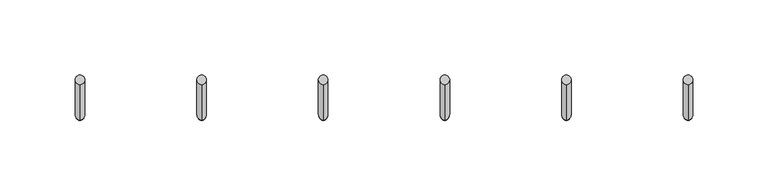
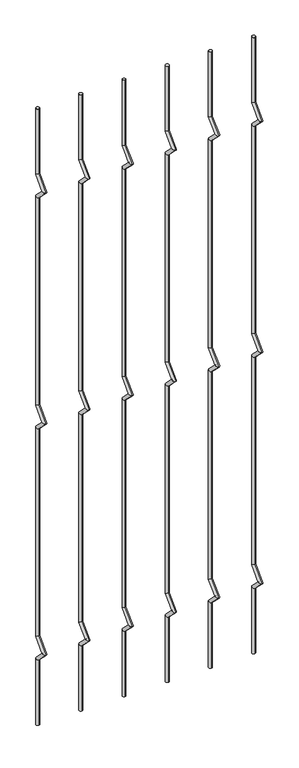
"""IFC4 building model written with IfcOpenShell, lengths in millimetres: railing geometry."""

import ifcopenshell
import ifcopenshell.guid

model = None  # the IFC model being written
_history = None  # IfcOwnerHistory: only IFC2X3 demands one
_inside = {}  # id of a spatial element -> (the spatial element, [elements in it])
_under = {}  # id of a project, library or spatial element -> (it, [spatial elements below it])
_declared = {}  # id of a project -> (the project, [libraries it declares])
_typed = {}  # id of a type object -> (the type object, [elements of that type])
_made_of = {}  # id of a material, layer set ... -> (it, [elements and type objects made of it])


def new_model(schema):
    """Start an empty IFC model of exactly this schema.

    Asked for "IFC4X3", IfcOpenShell would pick the latest addendum, in which some entities
    have other attributes; the version numbers below select the first issue.
    IFC2X3 requires an IfcOwnerHistory on every rooted entity: one is made here for all.
    """
    global model, _history
    if schema == "IFC4X3":
        model = ifcopenshell.file(schema_version=(4, 3, 0, 0))
    else:
        model = ifcopenshell.file(schema=schema)
    _inside.clear()
    _under.clear()
    _declared.clear()
    _typed.clear()
    _made_of.clear()
    _history = None
    if model.schema == "IFC2X3":
        org = make("IfcOrganization", Name="unknown")
        user = make(
            "IfcPersonAndOrganization",
            ThePerson=make("IfcPerson", FamilyName="unknown"),
            TheOrganization=org,
        )
        app = make(
            "IfcApplication",
            ApplicationDeveloper=org,
            Version="unknown",
            ApplicationFullName="unknown",
            ApplicationIdentifier="unknown",
        )
        _history = make(
            "IfcOwnerHistory",
            OwningUser=user,
            OwningApplication=app,
            ChangeAction="ADDED",
            CreationDate=0,
        )
    return model


def make(cls, **values):
    """One entity of the class cls with the attributes given. An attribute that is None is left unset."""
    return model.create_entity(
        cls, **{name: value for name, value in values.items() if value is not None}
    )


def rooted(cls, **values):
    """An entity with a GlobalId (a new one), such as an element, a storey or a relation."""
    return make(cls, GlobalId=ifcopenshell.guid.new(), OwnerHistory=_history, **values)


def si_unit(unit_type, name, prefix=None):
    """IfcSIUnit, for example si_unit("LENGTHUNIT", "METRE", prefix="MILLI")."""
    return make("IfcSIUnit", UnitType=unit_type, Prefix=prefix, Name=name)


def assignment(units):
    """IfcUnitAssignment: the units of a project."""
    return None if units is None else make("IfcUnitAssignment", Units=units)


def point(xyz):
    """IfcCartesianPoint."""
    return None if xyz is None else make("IfcCartesianPoint", Coordinates=xyz)


def direction(xyz):
    """IfcDirection."""
    return None if xyz is None else make("IfcDirection", DirectionRatios=xyz)


def frame(location, z_axis=None, x_axis=None):
    """IfcAxis2Placement3D, a coordinate frame: its origin and axes. An axis left out is left unset."""
    return make(
        "IfcAxis2Placement3D",
        Location=point(location),
        Axis=direction(z_axis),
        RefDirection=direction(x_axis),
    )


def origin():
    """The frame at (0, 0, 0) with its axes left unset."""
    return frame((0.0, 0.0, 0.0))


def place(relative_to, where):
    """IfcLocalPlacement: puts the frame where relative to a parent placement (None: the world)."""
    return make(
        "IfcLocalPlacement", PlacementRelTo=relative_to, RelativePlacement=where
    )


def context(
    kind, dimensions, precision=None, world=None, true_north=None, identifier=None
):
    """IfcGeometricRepresentationContext, for example the 3D "Model" context."""
    return make(
        "IfcGeometricRepresentationContext",
        ContextIdentifier=identifier,
        ContextType=kind,
        CoordinateSpaceDimension=dimensions,
        Precision=precision,
        WorldCoordinateSystem=world,
        TrueNorth=true_north,
    )


def project(units=None, contexts=None):
    """IfcProject with its units and contexts."""
    return rooted(
        "IfcProject",
        Name="project",
        RepresentationContexts=contexts,
        UnitsInContext=assignment(units),
    )


def spatial(cls, under=None, at=None, **own):
    """A site, building, storey or space (cls), placed at a placement, below another one or the project."""
    s = rooted(cls, ObjectPlacement=at, **own)
    if under is not None:
        _under.setdefault(under.id(), (under, []))[1].append(s)
    return s


def circle_curve(where, radius):
    """IfcCircle in the frame where."""
    return make("IfcCircle", Position=where, Radius=radius)


def ellipse_curve(where, semi_axis1, semi_axis2):
    """IfcEllipse in the frame where."""
    return make(
        "IfcEllipse", Position=where, SemiAxis1=semi_axis1, SemiAxis2=semi_axis2
    )


def shape(context_of_items, identifier, shape_type, items):
    """IfcShapeRepresentation: the items that make up one representation, for example the "Body"."""
    return make(
        "IfcShapeRepresentation",
        ContextOfItems=context_of_items,
        RepresentationIdentifier=identifier,
        RepresentationType=shape_type,
        Items=items,
    )


def source(mapping_origin, context_of_items, identifier, shape_type, items):
    """IfcRepresentationMap: a shape defined once, which mapped items show again and again."""
    return make(
        "IfcRepresentationMap",
        MappingOrigin=mapping_origin,
        MappedRepresentation=shape(context_of_items, identifier, shape_type, items),
    )


def transform(
    local_origin,
    x_axis=None,
    y_axis=None,
    z_axis=None,
    scale=None,
    scale2=None,
    scale3=None,
    uniform=True,
):
    """IfcCartesianTransformationOperator3D, or its non-uniform kind. x_axis, y_axis, z_axis: its Axis1, 2, 3."""
    if uniform:
        return make(
            "IfcCartesianTransformationOperator3D",
            Axis1=direction(x_axis),
            Axis2=direction(y_axis),
            LocalOrigin=point(local_origin),
            Scale=scale,
            Axis3=direction(z_axis),
        )
    return make(
        "IfcCartesianTransformationOperator3DnonUniform",
        Axis1=direction(x_axis),
        Axis2=direction(y_axis),
        LocalOrigin=point(local_origin),
        Scale=scale,
        Axis3=direction(z_axis),
        Scale2=scale2,
        Scale3=scale3,
    )


def mapped(mapping_source, mapping_target):
    """IfcMappedItem: shows the shape of a source again, moved by a transform."""
    return make(
        "IfcMappedItem", MappingSource=mapping_source, MappingTarget=mapping_target
    )


def made_of(thing, what):
    """Note that an element or type object is made of a material, layer set ...; save() writes the relation."""
    if what is not None:
        _made_of.setdefault(what.id(), (what, []))[1].append(thing)
    return thing


def element(
    cls,
    number,
    at=None,
    inside=None,
    cuts=None,
    type_object=None,
    material=None,
    context=None,
    identifier="Body",
    shape_type=None,
    held_by="IfcProductDefinitionShape",
    body=None,
    shapes=None,
    **own,
):
    """One element of the class cls, such as IfcWall. Its Tag is "e" and its number.

    at: its placement. inside: the storey or other place that contains it. cuts: it is an
    opening in that element (IfcRelVoidsElement). A single representation is given by context,
    identifier, shape_type and body (its items); several are given by shapes. held_by: the class
    of the entity that holds the representations. save() writes the other relations.
    """
    e = rooted(cls, Tag="e%d" % number, ObjectPlacement=at, **own)
    if body is not None:
        shapes = [shape(context, identifier, shape_type, body)]
    if shapes is not None:
        e.Representation = make(held_by, Representations=shapes)
    if inside is not None:
        _inside.setdefault(inside.id(), (inside, []))[1].append(e)
    if cuts is not None:
        rooted(
            "IfcRelVoidsElement", RelatingBuildingElement=cuts, RelatedOpeningElement=e
        )
    if type_object is not None:
        _typed.setdefault(type_object.id(), (type_object, []))[1].append(e)
    return made_of(e, material)


def aggregate(whole, parts):
    """IfcRelAggregates: a whole, such as a stair, and the parts it consists of."""
    return rooted("IfcRelAggregates", RelatingObject=whole, RelatedObjects=parts)


def save(model, path):
    """Write the relations noted so far, then the file.

    IfcRelAggregates (storeys below a building ...), IfcRelContainedInSpatialStructure (elements
    in a storey), IfcRelDefinesByType, IfcRelAssociatesMaterial and IfcRelDeclares: one each for
    every whole, place, type object, material and project.
    """
    for whole, parts in _under.values():
        aggregate(whole, parts)
    for where, things in _inside.values():
        rooted(
            "IfcRelContainedInSpatialStructure",
            RelatedElements=things,
            RelatingStructure=where,
        )
    for kind, things in _typed.values():
        rooted("IfcRelDefinesByType", RelatedObjects=things, RelatingType=kind)
    for what, things in _made_of.values():
        rooted("IfcRelAssociatesMaterial", RelatedObjects=things, RelatingMaterial=what)
    for by, libraries in _declared.values():
        rooted("IfcRelDeclares", RelatingContext=by, RelatedDefinitions=libraries)
    model.write(path)


def plane_surface(at):
    """IfcPlane: the flat surface through the origin of the frame at, square to its z axis."""
    return make("IfcPlane", Position=at)


def cylinder_surface(at, radius):
    """IfcCylindricalSurface: all points at the distance radius from the z axis of the frame at."""
    return make("IfcCylindricalSurface", Position=at, Radius=radius)


def advanced_brep(points, edges, surfaces, faces):
    """IfcAdvancedBrep: a solid bounded by faces that lie on surfaces and meet in shared edges.

    An edge is (start, end): straight between two places in points (the first is 0);
    or (start, end, curve); or (start, end, curve, False) where it runs against its curve.
    A face is (place in surfaces, loops), or (place, loops, False) where it looks against
    its surface's normal. A loop lists edges by number (the first is 1), with a minus sign
    where the edge is run from its end to its start. The first loop is the outer one.
    """
    corners = [point(p) for p in points]
    vertices = [make("IfcVertexPoint", VertexGeometry=c) for c in corners]
    made = []
    for start, end, *more in edges:
        made.append(
            make(
                "IfcEdgeCurve",
                EdgeStart=vertices[start],
                EdgeEnd=vertices[end],
                EdgeGeometry=more[0] if more else make("IfcPolyline", Points=[corners[start], corners[end]]),
                SameSense=more[1] if len(more) > 1 else True,
            )
        )
    hull = []
    for where, loops, *sense in faces:
        bounds = []
        for j, loop in enumerate(loops):
            ring = [make("IfcOrientedEdge", EdgeElement=made[abs(k) - 1], Orientation=k > 0) for k in loop]
            bounds.append(
                make(
                    "IfcFaceOuterBound" if j == 0 else "IfcFaceBound",
                    Bound=make("IfcEdgeLoop", EdgeList=ring),
                    Orientation=True,
                )
            )
        hull.append(make("IfcAdvancedFace", Bounds=bounds, FaceSurface=surfaces[where], SameSense=sense[0] if sense else True))
    return make("IfcAdvancedBrep", Outer=make("IfcClosedShell", CfsFaces=hull))


def railing_747c712e(model_context):
    return source(origin(), model_context, "Body", "AdvancedBrep", [
        advanced_brep(
        [(-17514.6090291, 14808.5554142, 25.4), (-17514.6090291, 14802.2054142, 25.4), (-17514.6090291, 14802.2054142, 154.0342316), (-17514.6090291, 14808.5554142, 156.6644878), (-17514.6090291, 14778.4396458, 177.8), (-17514.6090291, 14787.419902, 177.8), (-17514.6090291, 14802.2054142, 201.5657684), (-17514.6090291, 14808.5554142, 198.9355122), (-17514.6090291, 14802.2054142, 611.2342316), (-17514.6090291, 14808.5554142, 613.8644878), (-17514.6090291, 14778.4396458, 635.0), (-17514.6090291, 14787.419902, 635.0), (-17514.6090291, 14802.2054142, 658.7657684), (-17514.6090291, 14808.5554142, 656.1355122), (-17514.6090291, 14802.2054142, 1068.4342316), (-17514.6090291, 14808.5554142, 1071.0644878), (-17514.6090291, 14778.4396458, 1092.2), (-17514.6090291, 14787.419902, 1092.2), (-17514.6090291, 14802.2054142, 1115.9657684), (-17514.6090291, 14808.5554142, 1113.3355122), (-17514.6090291, 14808.5554142, 1244.6), (-17514.6090291, 14802.2054142, 1244.6)],
        [
            (0, 1, circle_curve(frame((-17514.6090291, 14805.3804142, 25.4), z_axis=(0.0, 0.0, -1.0), x_axis=(0.0, -1.0, 0.0)), 3.175)),
            (1, 0, circle_curve(frame((-17514.6090291, 14805.3804142, 25.4), z_axis=(0.0, 0.0, -1.0), x_axis=(0.0, -1.0, 0.0)), 3.175)),
            (1, 2),
            (2, 3, ellipse_curve(frame((-17514.6090291, 14805.3804142, 155.3493597), z_axis=(0.0, 0.3826834323650955, -0.9238795325112844), x_axis=(0.0, -0.9238795325112845, -0.38268343236509544)), 3.4365952, 3.175)),
            (3, 0),
            (3, 2, ellipse_curve(frame((-17514.6090291, 14805.3804142, 155.3493597), z_axis=(0.0, 0.3826834323650955, -0.9238795325112844), x_axis=(0.0, -0.9238795325112845, -0.38268343236509544)), 3.4365952, 3.175)),
            (2, 4),
            (4, 5, ellipse_curve(frame((-17514.6090291, 14782.9297739, 177.8), z_axis=(0.0, 0.0, -1.0), x_axis=(0.0, 1.0, 0.0)), 4.4901281, 3.175)),
            (5, 3),
            (5, 4, ellipse_curve(frame((-17514.6090291, 14782.9297739, 177.8), z_axis=(0.0, 0.0, -1.0), x_axis=(0.0, 1.0, 0.0)), 4.4901281, 3.175)),
            (4, 6),
            (6, 7, ellipse_curve(frame((-17514.6090291, 14805.3804142, 200.2506403), z_axis=(0.0, -0.3826834323650839, -0.9238795325112892), x_axis=(0.0, -0.9238795325112893, 0.38268343236508373)), 3.4365952, 3.175)),
            (7, 5),
            (7, 6, ellipse_curve(frame((-17514.6090291, 14805.3804142, 200.2506403), z_axis=(0.0, -0.3826834323650839, -0.9238795325112892), x_axis=(0.0, -0.9238795325112893, 0.38268343236508373)), 3.4365952, 3.175)),
            (6, 8),
            (8, 9, ellipse_curve(frame((-17514.6090291, 14805.3804142, 612.5493597), z_axis=(0.0, 0.3826834323651024, -0.9238795325112816), x_axis=(0.0, -0.9238795325112816, -0.382683432365102)), 3.4365952, 3.175)),
            (9, 7),
            (9, 8, ellipse_curve(frame((-17514.6090291, 14805.3804142, 612.5493597), z_axis=(0.0, 0.3826834323651024, -0.9238795325112816), x_axis=(0.0, -0.9238795325112816, -0.382683432365102)), 3.4365952, 3.175)),
            (8, 10),
            (10, 11, ellipse_curve(frame((-17514.6090291, 14782.9297739, 635.0), z_axis=(0.0, 0.0, -1.0), x_axis=(0.0, 1.0, 0.0)), 4.4901281, 3.175)),
            (11, 9),
            (11, 10, ellipse_curve(frame((-17514.6090291, 14782.9297739, 635.0), z_axis=(0.0, 0.0, -1.0), x_axis=(0.0, 1.0, 0.0)), 4.4901281, 3.175)),
            (10, 12),
            (12, 13, ellipse_curve(frame((-17514.6090291, 14805.3804142, 657.4506403), z_axis=(0.0, -0.3826834323650771, -0.923879532511292), x_axis=(0.0, -0.9238795325112918, 0.3826834323650773)), 3.4365952, 3.175)),
            (13, 11),
            (13, 12, ellipse_curve(frame((-17514.6090291, 14805.3804142, 657.4506403), z_axis=(0.0, -0.3826834323650771, -0.923879532511292), x_axis=(0.0, -0.9238795325112918, 0.3826834323650773)), 3.4365952, 3.175)),
            (12, 14),
            (14, 15, ellipse_curve(frame((-17514.6090291, 14805.3804142, 1069.7493597), z_axis=(0.0, 0.3826834323650978, -0.9238795325112834), x_axis=(0.0, -0.9238795325112834, -0.382683432365098)), 3.4365952, 3.175)),
            (15, 13),
            (15, 14, ellipse_curve(frame((-17514.6090291, 14805.3804142, 1069.7493597), z_axis=(0.0, 0.3826834323650978, -0.9238795325112834), x_axis=(0.0, -0.9238795325112834, -0.382683432365098)), 3.4365952, 3.175)),
            (14, 16),
            (16, 17, ellipse_curve(frame((-17514.6090291, 14782.9297739, 1092.2), z_axis=(0.0, 0.0, -1.0), x_axis=(0.0, 1.0, 0.0)), 4.4901281, 3.175)),
            (17, 15),
            (17, 16, ellipse_curve(frame((-17514.6090291, 14782.9297739, 1092.2), z_axis=(0.0, 0.0, -1.0), x_axis=(0.0, 1.0, 0.0)), 4.4901281, 3.175)),
            (16, 18),
            (18, 19, ellipse_curve(frame((-17514.6090291, 14805.3804142, 1114.6506403), z_axis=(0.0, -0.38268343236508223, -0.9238795325112898), x_axis=(0.0, -0.92387953251129, 0.38268343236508207)), 3.4365952, 3.175)),
            (19, 17),
            (19, 18, ellipse_curve(frame((-17514.6090291, 14805.3804142, 1114.6506403), z_axis=(0.0, -0.38268343236508223, -0.9238795325112898), x_axis=(0.0, -0.92387953251129, 0.38268343236508207)), 3.4365952, 3.175)),
            (20, 21, circle_curve(frame((-17514.6090291, 14805.3804142, 1244.6), z_axis=(0.0, 0.0, 1.0), x_axis=(0.0, -1.0, 0.0)), 3.175)),
            (21, 20, circle_curve(frame((-17514.6090291, 14805.3804142, 1244.6), z_axis=(0.0, 0.0, 1.0), x_axis=(0.0, -1.0, 0.0)), 3.175)),
            (18, 21),
            (20, 19),
        ],
        [
            plane_surface(frame((-17514.6090291, 14805.3804142, 25.4), z_axis=(0.0, 0.0, -1.0), x_axis=(-1.0, 0.0, 0.0))),
            cylinder_surface(frame((-17514.6090291, 14805.3804142, 25.4), z_axis=(0.0, 0.0, -1.0), x_axis=(0.0, -1.0, 0.0)), 3.175),
            cylinder_surface(frame((-17514.6090291, 14805.3804142, 155.3493597), z_axis=(0.0, 0.7071067811865563, -0.7071067811865388), x_axis=(0.0, -0.7071067811865388, -0.7071067811865563)), 3.175),
            cylinder_surface(frame((-17514.6090291, 14782.9297739, 177.8), z_axis=(0.0, -0.7071067811865385, -0.7071067811865568), x_axis=(0.0, -0.7071067811865568, 0.7071067811865385)), 3.175),
            cylinder_surface(frame((-17514.6090291, 14805.3804142, 200.2506403), z_axis=(0.0, 0.0, -1.0), x_axis=(0.0, -1.0, 0.0)), 3.175),
            cylinder_surface(frame((-17514.6090291, 14805.3804142, 612.5493597), z_axis=(0.0, 0.7071067811865669, -0.707106781186528), x_axis=(0.0, -0.707106781186528, -0.7071067811865669)), 3.175),
            cylinder_surface(frame((-17514.6090291, 14782.9297739, 635.0), z_axis=(0.0, -0.7071067811865279, -0.7071067811865672), x_axis=(0.0, -0.7071067811865672, 0.7071067811865279)), 3.175),
            cylinder_surface(frame((-17514.6090291, 14805.3804142, 657.4506403), z_axis=(0.0, 0.0, -1.0), x_axis=(0.0, -1.0, 0.0)), 3.175),
            cylinder_surface(frame((-17514.6090291, 14805.3804142, 1069.7493597), z_axis=(0.0, 0.7071067811865601, -0.707106781186535), x_axis=(0.0, -0.707106781186535, -0.7071067811865601)), 3.175),
            cylinder_surface(frame((-17514.6090291, 14782.9297739, 1092.2), z_axis=(0.0, -0.7071067811865356, -0.7071067811865596), x_axis=(0.0, -0.7071067811865596, 0.7071067811865356)), 3.175),
            plane_surface(frame((-17514.6090291, 14805.3804142, 1244.6), z_axis=(0.0, 0.0, 1.0), x_axis=(-1.0, 0.0, 0.0))),
            cylinder_surface(frame((-17514.6090291, 14805.3804142, 1114.6506403), z_axis=(0.0, 0.0, -1.0), x_axis=(0.0, -1.0, 0.0)), 3.175),
        ],
        [
            (0, [[1, 2]]),
            (1, [[3, 4, 5, -2]]),
            (1, [[-5, 6, -3, -1]]),
            (2, [[7, 8, 9, -4]]),
            (2, [[-9, 10, -7, -6]]),
            (3, [[11, 12, 13, -8]]),
            (3, [[-13, 14, -11, -10]]),
            (4, [[15, 16, 17, -12]]),
            (4, [[-17, 18, -15, -14]]),
            (5, [[19, 20, 21, -16]]),
            (5, [[-21, 22, -19, -18]]),
            (6, [[23, 24, 25, -20]]),
            (6, [[-25, 26, -23, -22]]),
            (7, [[27, 28, 29, -24]]),
            (7, [[-29, 30, -27, -26]]),
            (8, [[31, 32, 33, -28]]),
            (8, [[-33, 34, -31, -30]]),
            (9, [[35, 36, 37, -32]]),
            (9, [[-37, 38, -35, -34]]),
            (10, [[39, 40]]),
            (11, [[41, -39, 42, -36]]),
            (11, [[-42, -40, -41, -38]]),
        ],
    ),
        advanced_brep(
        [(-17433.7523624, 14808.5554142, 25.4), (-17433.7523624, 14802.2054142, 25.4), (-17433.7523624, 14802.2054142, 154.0342316), (-17433.7523624, 14808.5554142, 156.6644878), (-17433.7523624, 14778.4396458, 177.8), (-17433.7523624, 14787.419902, 177.8), (-17433.7523624, 14802.2054142, 201.5657684), (-17433.7523624, 14808.5554142, 198.9355122), (-17433.7523624, 14802.2054142, 611.2342316), (-17433.7523624, 14808.5554142, 613.8644878), (-17433.7523624, 14778.4396458, 635.0), (-17433.7523624, 14787.419902, 635.0), (-17433.7523624, 14802.2054142, 658.7657684), (-17433.7523624, 14808.5554142, 656.1355122), (-17433.7523624, 14802.2054142, 1068.4342316), (-17433.7523624, 14808.5554142, 1071.0644878), (-17433.7523624, 14778.4396458, 1092.2), (-17433.7523624, 14787.419902, 1092.2), (-17433.7523624, 14802.2054142, 1115.9657684), (-17433.7523624, 14808.5554142, 1113.3355122), (-17433.7523624, 14808.5554142, 1244.6), (-17433.7523624, 14802.2054142, 1244.6)],
        [
            (0, 1, circle_curve(frame((-17433.7523624, 14805.3804142, 25.4), z_axis=(0.0, 0.0, -1.0), x_axis=(0.0, -1.0, 0.0)), 3.175)),
            (1, 0, circle_curve(frame((-17433.7523624, 14805.3804142, 25.4), z_axis=(0.0, 0.0, -1.0), x_axis=(0.0, -1.0, 0.0)), 3.175)),
            (1, 2),
            (2, 3, ellipse_curve(frame((-17433.7523624, 14805.3804142, 155.3493597), z_axis=(0.0, 0.3826834323650955, -0.9238795325112844), x_axis=(0.0, -0.9238795325112845, -0.38268343236509544)), 3.4365952, 3.175)),
            (3, 0),
            (3, 2, ellipse_curve(frame((-17433.7523624, 14805.3804142, 155.3493597), z_axis=(0.0, 0.3826834323650955, -0.9238795325112844), x_axis=(0.0, -0.9238795325112845, -0.38268343236509544)), 3.4365952, 3.175)),
            (2, 4),
            (4, 5, ellipse_curve(frame((-17433.7523624, 14782.9297739, 177.8), z_axis=(0.0, 0.0, -1.0), x_axis=(0.0, 1.0, 0.0)), 4.4901281, 3.175)),
            (5, 3),
            (5, 4, ellipse_curve(frame((-17433.7523624, 14782.9297739, 177.8), z_axis=(0.0, 0.0, -1.0), x_axis=(0.0, 1.0, 0.0)), 4.4901281, 3.175)),
            (4, 6),
            (6, 7, ellipse_curve(frame((-17433.7523624, 14805.3804142, 200.2506403), z_axis=(0.0, -0.3826834323650839, -0.9238795325112892), x_axis=(0.0, -0.9238795325112893, 0.38268343236508373)), 3.4365952, 3.175)),
            (7, 5),
            (7, 6, ellipse_curve(frame((-17433.7523624, 14805.3804142, 200.2506403), z_axis=(0.0, -0.3826834323650839, -0.9238795325112892), x_axis=(0.0, -0.9238795325112893, 0.38268343236508373)), 3.4365952, 3.175)),
            (6, 8),
            (8, 9, ellipse_curve(frame((-17433.7523624, 14805.3804142, 612.5493597), z_axis=(0.0, 0.3826834323651024, -0.9238795325112816), x_axis=(0.0, -0.9238795325112816, -0.382683432365102)), 3.4365952, 3.175)),
            (9, 7),
            (9, 8, ellipse_curve(frame((-17433.7523624, 14805.3804142, 612.5493597), z_axis=(0.0, 0.3826834323651024, -0.9238795325112816), x_axis=(0.0, -0.9238795325112816, -0.382683432365102)), 3.4365952, 3.175)),
            (8, 10),
            (10, 11, ellipse_curve(frame((-17433.7523624, 14782.9297739, 635.0), z_axis=(0.0, 0.0, -1.0), x_axis=(0.0, 1.0, 0.0)), 4.4901281, 3.175)),
            (11, 9),
            (11, 10, ellipse_curve(frame((-17433.7523624, 14782.9297739, 635.0), z_axis=(0.0, 0.0, -1.0), x_axis=(0.0, 1.0, 0.0)), 4.4901281, 3.175)),
            (10, 12),
            (12, 13, ellipse_curve(frame((-17433.7523624, 14805.3804142, 657.4506403), z_axis=(0.0, -0.3826834323650771, -0.923879532511292), x_axis=(0.0, -0.9238795325112918, 0.3826834323650773)), 3.4365952, 3.175)),
            (13, 11),
            (13, 12, ellipse_curve(frame((-17433.7523624, 14805.3804142, 657.4506403), z_axis=(0.0, -0.3826834323650771, -0.923879532511292), x_axis=(0.0, -0.9238795325112918, 0.3826834323650773)), 3.4365952, 3.175)),
            (12, 14),
            (14, 15, ellipse_curve(frame((-17433.7523624, 14805.3804142, 1069.7493597), z_axis=(0.0, 0.3826834323650978, -0.9238795325112834), x_axis=(0.0, -0.9238795325112834, -0.382683432365098)), 3.4365952, 3.175)),
            (15, 13),
            (15, 14, ellipse_curve(frame((-17433.7523624, 14805.3804142, 1069.7493597), z_axis=(0.0, 0.3826834323650978, -0.9238795325112834), x_axis=(0.0, -0.9238795325112834, -0.382683432365098)), 3.4365952, 3.175)),
            (14, 16),
            (16, 17, ellipse_curve(frame((-17433.7523624, 14782.9297739, 1092.2), z_axis=(0.0, 0.0, -1.0), x_axis=(0.0, 1.0, 0.0)), 4.4901281, 3.175)),
            (17, 15),
            (17, 16, ellipse_curve(frame((-17433.7523624, 14782.9297739, 1092.2), z_axis=(0.0, 0.0, -1.0), x_axis=(0.0, 1.0, 0.0)), 4.4901281, 3.175)),
            (16, 18),
            (18, 19, ellipse_curve(frame((-17433.7523624, 14805.3804142, 1114.6506403), z_axis=(0.0, -0.38268343236508223, -0.9238795325112898), x_axis=(0.0, -0.92387953251129, 0.38268343236508207)), 3.4365952, 3.175)),
            (19, 17),
            (19, 18, ellipse_curve(frame((-17433.7523624, 14805.3804142, 1114.6506403), z_axis=(0.0, -0.38268343236508223, -0.9238795325112898), x_axis=(0.0, -0.92387953251129, 0.38268343236508207)), 3.4365952, 3.175)),
            (20, 21, circle_curve(frame((-17433.7523624, 14805.3804142, 1244.6), z_axis=(0.0, 0.0, 1.0), x_axis=(0.0, -1.0, 0.0)), 3.175)),
            (21, 20, circle_curve(frame((-17433.7523624, 14805.3804142, 1244.6), z_axis=(0.0, 0.0, 1.0), x_axis=(0.0, -1.0, 0.0)), 3.175)),
            (18, 21),
            (20, 19),
        ],
        [
            plane_surface(frame((-17433.7523624, 14805.3804142, 25.4), z_axis=(0.0, 0.0, -1.0), x_axis=(-1.0, 0.0, 0.0))),
            cylinder_surface(frame((-17433.7523624, 14805.3804142, 25.4), z_axis=(0.0, 0.0, -1.0), x_axis=(0.0, -1.0, 0.0)), 3.175),
            cylinder_surface(frame((-17433.7523624, 14805.3804142, 155.3493597), z_axis=(0.0, 0.7071067811865563, -0.7071067811865388), x_axis=(0.0, -0.7071067811865388, -0.7071067811865563)), 3.175),
            cylinder_surface(frame((-17433.7523624, 14782.9297739, 177.8), z_axis=(0.0, -0.7071067811865385, -0.7071067811865568), x_axis=(0.0, -0.7071067811865568, 0.7071067811865385)), 3.175),
            cylinder_surface(frame((-17433.7523624, 14805.3804142, 200.2506403), z_axis=(0.0, 0.0, -1.0), x_axis=(0.0, -1.0, 0.0)), 3.175),
            cylinder_surface(frame((-17433.7523624, 14805.3804142, 612.5493597), z_axis=(0.0, 0.7071067811865669, -0.707106781186528), x_axis=(0.0, -0.707106781186528, -0.7071067811865669)), 3.175),
            cylinder_surface(frame((-17433.7523624, 14782.9297739, 635.0), z_axis=(0.0, -0.7071067811865279, -0.7071067811865672), x_axis=(0.0, -0.7071067811865672, 0.7071067811865279)), 3.175),
            cylinder_surface(frame((-17433.7523624, 14805.3804142, 657.4506403), z_axis=(0.0, 0.0, -1.0), x_axis=(0.0, -1.0, 0.0)), 3.175),
            cylinder_surface(frame((-17433.7523624, 14805.3804142, 1069.7493597), z_axis=(0.0, 0.7071067811865601, -0.707106781186535), x_axis=(0.0, -0.707106781186535, -0.7071067811865601)), 3.175),
            cylinder_surface(frame((-17433.7523624, 14782.9297739, 1092.2), z_axis=(0.0, -0.7071067811865356, -0.7071067811865596), x_axis=(0.0, -0.7071067811865596, 0.7071067811865356)), 3.175),
            plane_surface(frame((-17433.7523624, 14805.3804142, 1244.6), z_axis=(0.0, 0.0, 1.0), x_axis=(-1.0, 0.0, 0.0))),
            cylinder_surface(frame((-17433.7523624, 14805.3804142, 1114.6506403), z_axis=(0.0, 0.0, -1.0), x_axis=(0.0, -1.0, 0.0)), 3.175),
        ],
        [
            (0, [[1, 2]]),
            (1, [[3, 4, 5, -2]]),
            (1, [[-5, 6, -3, -1]]),
            (2, [[7, 8, 9, -4]]),
            (2, [[-9, 10, -7, -6]]),
            (3, [[11, 12, 13, -8]]),
            (3, [[-13, 14, -11, -10]]),
            (4, [[15, 16, 17, -12]]),
            (4, [[-17, 18, -15, -14]]),
            (5, [[19, 20, 21, -16]]),
            (5, [[-21, 22, -19, -18]]),
            (6, [[23, 24, 25, -20]]),
            (6, [[-25, 26, -23, -22]]),
            (7, [[27, 28, 29, -24]]),
            (7, [[-29, 30, -27, -26]]),
            (8, [[31, 32, 33, -28]]),
            (8, [[-33, 34, -31, -30]]),
            (9, [[35, 36, 37, -32]]),
            (9, [[-37, 38, -35, -34]]),
            (10, [[39, 40]]),
            (11, [[41, -39, 42, -36]]),
            (11, [[-42, -40, -41, -38]]),
        ],
    ),
        advanced_brep(
        [(-17352.8956958, 14808.5554142, 25.4), (-17352.8956958, 14802.2054142, 25.4), (-17352.8956958, 14802.2054142, 154.0342316), (-17352.8956958, 14808.5554142, 156.6644878), (-17352.8956958, 14778.4396458, 177.8), (-17352.8956958, 14787.419902, 177.8), (-17352.8956958, 14802.2054142, 201.5657684), (-17352.8956958, 14808.5554142, 198.9355122), (-17352.8956958, 14802.2054142, 611.2342316), (-17352.8956958, 14808.5554142, 613.8644878), (-17352.8956958, 14778.4396458, 635.0), (-17352.8956958, 14787.419902, 635.0), (-17352.8956958, 14802.2054142, 658.7657684), (-17352.8956958, 14808.5554142, 656.1355122), (-17352.8956958, 14802.2054142, 1068.4342316), (-17352.8956958, 14808.5554142, 1071.0644878), (-17352.8956958, 14778.4396458, 1092.2), (-17352.8956958, 14787.419902, 1092.2), (-17352.8956958, 14802.2054142, 1115.9657684), (-17352.8956958, 14808.5554142, 1113.3355122), (-17352.8956958, 14808.5554142, 1244.6), (-17352.8956958, 14802.2054142, 1244.6)],
        [
            (0, 1, circle_curve(frame((-17352.8956958, 14805.3804142, 25.4), z_axis=(0.0, 0.0, -1.0), x_axis=(0.0, -1.0, 0.0)), 3.175)),
            (1, 0, circle_curve(frame((-17352.8956958, 14805.3804142, 25.4), z_axis=(0.0, 0.0, -1.0), x_axis=(0.0, -1.0, 0.0)), 3.175)),
            (1, 2),
            (2, 3, ellipse_curve(frame((-17352.8956958, 14805.3804142, 155.3493597), z_axis=(0.0, 0.3826834323650955, -0.9238795325112844), x_axis=(0.0, -0.9238795325112845, -0.38268343236509544)), 3.4365952, 3.175)),
            (3, 0),
            (3, 2, ellipse_curve(frame((-17352.8956958, 14805.3804142, 155.3493597), z_axis=(0.0, 0.3826834323650955, -0.9238795325112844), x_axis=(0.0, -0.9238795325112845, -0.38268343236509544)), 3.4365952, 3.175)),
            (2, 4),
            (4, 5, ellipse_curve(frame((-17352.8956958, 14782.9297739, 177.8), z_axis=(0.0, 0.0, -1.0), x_axis=(0.0, 1.0, 0.0)), 4.4901281, 3.175)),
            (5, 3),
            (5, 4, ellipse_curve(frame((-17352.8956958, 14782.9297739, 177.8), z_axis=(0.0, 0.0, -1.0), x_axis=(0.0, 1.0, 0.0)), 4.4901281, 3.175)),
            (4, 6),
            (6, 7, ellipse_curve(frame((-17352.8956958, 14805.3804142, 200.2506403), z_axis=(0.0, -0.3826834323650839, -0.9238795325112892), x_axis=(0.0, -0.9238795325112893, 0.38268343236508373)), 3.4365952, 3.175)),
            (7, 5),
            (7, 6, ellipse_curve(frame((-17352.8956958, 14805.3804142, 200.2506403), z_axis=(0.0, -0.3826834323650839, -0.9238795325112892), x_axis=(0.0, -0.9238795325112893, 0.38268343236508373)), 3.4365952, 3.175)),
            (6, 8),
            (8, 9, ellipse_curve(frame((-17352.8956958, 14805.3804142, 612.5493597), z_axis=(0.0, 0.3826834323651024, -0.9238795325112816), x_axis=(0.0, -0.9238795325112816, -0.382683432365102)), 3.4365952, 3.175)),
            (9, 7),
            (9, 8, ellipse_curve(frame((-17352.8956958, 14805.3804142, 612.5493597), z_axis=(0.0, 0.3826834323651024, -0.9238795325112816), x_axis=(0.0, -0.9238795325112816, -0.382683432365102)), 3.4365952, 3.175)),
            (8, 10),
            (10, 11, ellipse_curve(frame((-17352.8956958, 14782.9297739, 635.0), z_axis=(0.0, 0.0, -1.0), x_axis=(0.0, 1.0, 0.0)), 4.4901281, 3.175)),
            (11, 9),
            (11, 10, ellipse_curve(frame((-17352.8956958, 14782.9297739, 635.0), z_axis=(0.0, 0.0, -1.0), x_axis=(0.0, 1.0, 0.0)), 4.4901281, 3.175)),
            (10, 12),
            (12, 13, ellipse_curve(frame((-17352.8956958, 14805.3804142, 657.4506403), z_axis=(0.0, -0.3826834323650771, -0.923879532511292), x_axis=(0.0, -0.9238795325112918, 0.3826834323650773)), 3.4365952, 3.175)),
            (13, 11),
            (13, 12, ellipse_curve(frame((-17352.8956958, 14805.3804142, 657.4506403), z_axis=(0.0, -0.3826834323650771, -0.923879532511292), x_axis=(0.0, -0.9238795325112918, 0.3826834323650773)), 3.4365952, 3.175)),
            (12, 14),
            (14, 15, ellipse_curve(frame((-17352.8956958, 14805.3804142, 1069.7493597), z_axis=(0.0, 0.3826834323650978, -0.9238795325112834), x_axis=(0.0, -0.9238795325112834, -0.382683432365098)), 3.4365952, 3.175)),
            (15, 13),
            (15, 14, ellipse_curve(frame((-17352.8956958, 14805.3804142, 1069.7493597), z_axis=(0.0, 0.3826834323650978, -0.9238795325112834), x_axis=(0.0, -0.9238795325112834, -0.382683432365098)), 3.4365952, 3.175)),
            (14, 16),
            (16, 17, ellipse_curve(frame((-17352.8956958, 14782.9297739, 1092.2), z_axis=(0.0, 0.0, -1.0), x_axis=(0.0, 1.0, 0.0)), 4.4901281, 3.175)),
            (17, 15),
            (17, 16, ellipse_curve(frame((-17352.8956958, 14782.9297739, 1092.2), z_axis=(0.0, 0.0, -1.0), x_axis=(0.0, 1.0, 0.0)), 4.4901281, 3.175)),
            (16, 18),
            (18, 19, ellipse_curve(frame((-17352.8956958, 14805.3804142, 1114.6506403), z_axis=(0.0, -0.38268343236508223, -0.9238795325112898), x_axis=(0.0, -0.92387953251129, 0.38268343236508207)), 3.4365952, 3.175)),
            (19, 17),
            (19, 18, ellipse_curve(frame((-17352.8956958, 14805.3804142, 1114.6506403), z_axis=(0.0, -0.38268343236508223, -0.9238795325112898), x_axis=(0.0, -0.92387953251129, 0.38268343236508207)), 3.4365952, 3.175)),
            (20, 21, circle_curve(frame((-17352.8956958, 14805.3804142, 1244.6), z_axis=(0.0, 0.0, 1.0), x_axis=(0.0, -1.0, 0.0)), 3.175)),
            (21, 20, circle_curve(frame((-17352.8956958, 14805.3804142, 1244.6), z_axis=(0.0, 0.0, 1.0), x_axis=(0.0, -1.0, 0.0)), 3.175)),
            (18, 21),
            (20, 19),
        ],
        [
            plane_surface(frame((-17352.8956958, 14805.3804142, 25.4), z_axis=(0.0, 0.0, -1.0), x_axis=(-1.0, 0.0, 0.0))),
            cylinder_surface(frame((-17352.8956958, 14805.3804142, 25.4), z_axis=(0.0, 0.0, -1.0), x_axis=(0.0, -1.0, 0.0)), 3.175),
            cylinder_surface(frame((-17352.8956958, 14805.3804142, 155.3493597), z_axis=(0.0, 0.7071067811865563, -0.7071067811865388), x_axis=(0.0, -0.7071067811865388, -0.7071067811865563)), 3.175),
            cylinder_surface(frame((-17352.8956958, 14782.9297739, 177.8), z_axis=(0.0, -0.7071067811865385, -0.7071067811865568), x_axis=(0.0, -0.7071067811865568, 0.7071067811865385)), 3.175),
            cylinder_surface(frame((-17352.8956958, 14805.3804142, 200.2506403), z_axis=(0.0, 0.0, -1.0), x_axis=(0.0, -1.0, 0.0)), 3.175),
            cylinder_surface(frame((-17352.8956958, 14805.3804142, 612.5493597), z_axis=(0.0, 0.7071067811865669, -0.707106781186528), x_axis=(0.0, -0.707106781186528, -0.7071067811865669)), 3.175),
            cylinder_surface(frame((-17352.8956958, 14782.9297739, 635.0), z_axis=(0.0, -0.7071067811865279, -0.7071067811865672), x_axis=(0.0, -0.7071067811865672, 0.7071067811865279)), 3.175),
            cylinder_surface(frame((-17352.8956958, 14805.3804142, 657.4506403), z_axis=(0.0, 0.0, -1.0), x_axis=(0.0, -1.0, 0.0)), 3.175),
            cylinder_surface(frame((-17352.8956958, 14805.3804142, 1069.7493597), z_axis=(0.0, 0.7071067811865601, -0.707106781186535), x_axis=(0.0, -0.707106781186535, -0.7071067811865601)), 3.175),
            cylinder_surface(frame((-17352.8956958, 14782.9297739, 1092.2), z_axis=(0.0, -0.7071067811865356, -0.7071067811865596), x_axis=(0.0, -0.7071067811865596, 0.7071067811865356)), 3.175),
            plane_surface(frame((-17352.8956958, 14805.3804142, 1244.6), z_axis=(0.0, 0.0, 1.0), x_axis=(-1.0, 0.0, 0.0))),
            cylinder_surface(frame((-17352.8956958, 14805.3804142, 1114.6506403), z_axis=(0.0, 0.0, -1.0), x_axis=(0.0, -1.0, 0.0)), 3.175),
        ],
        [
            (0, [[1, 2]]),
            (1, [[3, 4, 5, -2]]),
            (1, [[-5, 6, -3, -1]]),
            (2, [[7, 8, 9, -4]]),
            (2, [[-9, 10, -7, -6]]),
            (3, [[11, 12, 13, -8]]),
            (3, [[-13, 14, -11, -10]]),
            (4, [[15, 16, 17, -12]]),
            (4, [[-17, 18, -15, -14]]),
            (5, [[19, 20, 21, -16]]),
            (5, [[-21, 22, -19, -18]]),
            (6, [[23, 24, 25, -20]]),
            (6, [[-25, 26, -23, -22]]),
            (7, [[27, 28, 29, -24]]),
            (7, [[-29, 30, -27, -26]]),
            (8, [[31, 32, 33, -28]]),
            (8, [[-33, 34, -31, -30]]),
            (9, [[35, 36, 37, -32]]),
            (9, [[-37, 38, -35, -34]]),
            (10, [[39, 40]]),
            (11, [[41, -39, 42, -36]]),
            (11, [[-42, -40, -41, -38]]),
        ],
    ),
        advanced_brep(
        [(-17272.0390291, 14808.5554142, 25.4), (-17272.0390291, 14802.2054142, 25.4), (-17272.0390291, 14802.2054142, 154.0342316), (-17272.0390291, 14808.5554142, 156.6644878), (-17272.0390291, 14778.4396458, 177.8), (-17272.0390291, 14787.419902, 177.8), (-17272.0390291, 14802.2054142, 201.5657684), (-17272.0390291, 14808.5554142, 198.9355122), (-17272.0390291, 14802.2054142, 611.2342316), (-17272.0390291, 14808.5554142, 613.8644878), (-17272.0390291, 14778.4396458, 635.0), (-17272.0390291, 14787.419902, 635.0), (-17272.0390291, 14802.2054142, 658.7657684), (-17272.0390291, 14808.5554142, 656.1355122), (-17272.0390291, 14802.2054142, 1068.4342316), (-17272.0390291, 14808.5554142, 1071.0644878), (-17272.0390291, 14778.4396458, 1092.2), (-17272.0390291, 14787.419902, 1092.2), (-17272.0390291, 14802.2054142, 1115.9657684), (-17272.0390291, 14808.5554142, 1113.3355122), (-17272.0390291, 14808.5554142, 1244.6), (-17272.0390291, 14802.2054142, 1244.6)],
        [
            (0, 1, circle_curve(frame((-17272.0390291, 14805.3804142, 25.4), z_axis=(0.0, 0.0, -1.0), x_axis=(0.0, -1.0, 0.0)), 3.175)),
            (1, 0, circle_curve(frame((-17272.0390291, 14805.3804142, 25.4), z_axis=(0.0, 0.0, -1.0), x_axis=(0.0, -1.0, 0.0)), 3.175)),
            (1, 2),
            (2, 3, ellipse_curve(frame((-17272.0390291, 14805.3804142, 155.3493597), z_axis=(0.0, 0.3826834323650955, -0.9238795325112844), x_axis=(0.0, -0.9238795325112845, -0.38268343236509544)), 3.4365952, 3.175)),
            (3, 0),
            (3, 2, ellipse_curve(frame((-17272.0390291, 14805.3804142, 155.3493597), z_axis=(0.0, 0.3826834323650955, -0.9238795325112844), x_axis=(0.0, -0.9238795325112845, -0.38268343236509544)), 3.4365952, 3.175)),
            (2, 4),
            (4, 5, ellipse_curve(frame((-17272.0390291, 14782.9297739, 177.8), z_axis=(0.0, 0.0, -1.0), x_axis=(0.0, 1.0, 0.0)), 4.4901281, 3.175)),
            (5, 3),
            (5, 4, ellipse_curve(frame((-17272.0390291, 14782.9297739, 177.8), z_axis=(0.0, 0.0, -1.0), x_axis=(0.0, 1.0, 0.0)), 4.4901281, 3.175)),
            (4, 6),
            (6, 7, ellipse_curve(frame((-17272.0390291, 14805.3804142, 200.2506403), z_axis=(0.0, -0.3826834323650839, -0.9238795325112892), x_axis=(0.0, -0.9238795325112893, 0.38268343236508373)), 3.4365952, 3.175)),
            (7, 5),
            (7, 6, ellipse_curve(frame((-17272.0390291, 14805.3804142, 200.2506403), z_axis=(0.0, -0.3826834323650839, -0.9238795325112892), x_axis=(0.0, -0.9238795325112893, 0.38268343236508373)), 3.4365952, 3.175)),
            (6, 8),
            (8, 9, ellipse_curve(frame((-17272.0390291, 14805.3804142, 612.5493597), z_axis=(0.0, 0.3826834323651024, -0.9238795325112816), x_axis=(0.0, -0.9238795325112816, -0.382683432365102)), 3.4365952, 3.175)),
            (9, 7),
            (9, 8, ellipse_curve(frame((-17272.0390291, 14805.3804142, 612.5493597), z_axis=(0.0, 0.3826834323651024, -0.9238795325112816), x_axis=(0.0, -0.9238795325112816, -0.382683432365102)), 3.4365952, 3.175)),
            (8, 10),
            (10, 11, ellipse_curve(frame((-17272.0390291, 14782.9297739, 635.0), z_axis=(0.0, 0.0, -1.0), x_axis=(0.0, 1.0, 0.0)), 4.4901281, 3.175)),
            (11, 9),
            (11, 10, ellipse_curve(frame((-17272.0390291, 14782.9297739, 635.0), z_axis=(0.0, 0.0, -1.0), x_axis=(0.0, 1.0, 0.0)), 4.4901281, 3.175)),
            (10, 12),
            (12, 13, ellipse_curve(frame((-17272.0390291, 14805.3804142, 657.4506403), z_axis=(0.0, -0.3826834323650771, -0.923879532511292), x_axis=(0.0, -0.9238795325112918, 0.3826834323650773)), 3.4365952, 3.175)),
            (13, 11),
            (13, 12, ellipse_curve(frame((-17272.0390291, 14805.3804142, 657.4506403), z_axis=(0.0, -0.3826834323650771, -0.923879532511292), x_axis=(0.0, -0.9238795325112918, 0.3826834323650773)), 3.4365952, 3.175)),
            (12, 14),
            (14, 15, ellipse_curve(frame((-17272.0390291, 14805.3804142, 1069.7493597), z_axis=(0.0, 0.3826834323650978, -0.9238795325112834), x_axis=(0.0, -0.9238795325112834, -0.382683432365098)), 3.4365952, 3.175)),
            (15, 13),
            (15, 14, ellipse_curve(frame((-17272.0390291, 14805.3804142, 1069.7493597), z_axis=(0.0, 0.3826834323650978, -0.9238795325112834), x_axis=(0.0, -0.9238795325112834, -0.382683432365098)), 3.4365952, 3.175)),
            (14, 16),
            (16, 17, ellipse_curve(frame((-17272.0390291, 14782.9297739, 1092.2), z_axis=(0.0, 0.0, -1.0), x_axis=(0.0, 1.0, 0.0)), 4.4901281, 3.175)),
            (17, 15),
            (17, 16, ellipse_curve(frame((-17272.0390291, 14782.9297739, 1092.2), z_axis=(0.0, 0.0, -1.0), x_axis=(0.0, 1.0, 0.0)), 4.4901281, 3.175)),
            (16, 18),
            (18, 19, ellipse_curve(frame((-17272.0390291, 14805.3804142, 1114.6506403), z_axis=(0.0, -0.38268343236508223, -0.9238795325112898), x_axis=(0.0, -0.92387953251129, 0.38268343236508207)), 3.4365952, 3.175)),
            (19, 17),
            (19, 18, ellipse_curve(frame((-17272.0390291, 14805.3804142, 1114.6506403), z_axis=(0.0, -0.38268343236508223, -0.9238795325112898), x_axis=(0.0, -0.92387953251129, 0.38268343236508207)), 3.4365952, 3.175)),
            (20, 21, circle_curve(frame((-17272.0390291, 14805.3804142, 1244.6), z_axis=(0.0, 0.0, 1.0), x_axis=(0.0, -1.0, 0.0)), 3.175)),
            (21, 20, circle_curve(frame((-17272.0390291, 14805.3804142, 1244.6), z_axis=(0.0, 0.0, 1.0), x_axis=(0.0, -1.0, 0.0)), 3.175)),
            (18, 21),
            (20, 19),
        ],
        [
            plane_surface(frame((-17272.0390291, 14805.3804142, 25.4), z_axis=(0.0, 0.0, -1.0), x_axis=(-1.0, 0.0, 0.0))),
            cylinder_surface(frame((-17272.0390291, 14805.3804142, 25.4), z_axis=(0.0, 0.0, -1.0), x_axis=(0.0, -1.0, 0.0)), 3.175),
            cylinder_surface(frame((-17272.0390291, 14805.3804142, 155.3493597), z_axis=(0.0, 0.7071067811865563, -0.7071067811865388), x_axis=(0.0, -0.7071067811865388, -0.7071067811865563)), 3.175),
            cylinder_surface(frame((-17272.0390291, 14782.9297739, 177.8), z_axis=(0.0, -0.7071067811865385, -0.7071067811865568), x_axis=(0.0, -0.7071067811865568, 0.7071067811865385)), 3.175),
            cylinder_surface(frame((-17272.0390291, 14805.3804142, 200.2506403), z_axis=(0.0, 0.0, -1.0), x_axis=(0.0, -1.0, 0.0)), 3.175),
            cylinder_surface(frame((-17272.0390291, 14805.3804142, 612.5493597), z_axis=(0.0, 0.7071067811865669, -0.707106781186528), x_axis=(0.0, -0.707106781186528, -0.7071067811865669)), 3.175),
            cylinder_surface(frame((-17272.0390291, 14782.9297739, 635.0), z_axis=(0.0, -0.7071067811865279, -0.7071067811865672), x_axis=(0.0, -0.7071067811865672, 0.7071067811865279)), 3.175),
            cylinder_surface(frame((-17272.0390291, 14805.3804142, 657.4506403), z_axis=(0.0, 0.0, -1.0), x_axis=(0.0, -1.0, 0.0)), 3.175),
            cylinder_surface(frame((-17272.0390291, 14805.3804142, 1069.7493597), z_axis=(0.0, 0.7071067811865601, -0.707106781186535), x_axis=(0.0, -0.707106781186535, -0.7071067811865601)), 3.175),
            cylinder_surface(frame((-17272.0390291, 14782.9297739, 1092.2), z_axis=(0.0, -0.7071067811865356, -0.7071067811865596), x_axis=(0.0, -0.7071067811865596, 0.7071067811865356)), 3.175),
            plane_surface(frame((-17272.0390291, 14805.3804142, 1244.6), z_axis=(0.0, 0.0, 1.0), x_axis=(-1.0, 0.0, 0.0))),
            cylinder_surface(frame((-17272.0390291, 14805.3804142, 1114.6506403), z_axis=(0.0, 0.0, -1.0), x_axis=(0.0, -1.0, 0.0)), 3.175),
        ],
        [
            (0, [[1, 2]]),
            (1, [[3, 4, 5, -2]]),
            (1, [[-5, 6, -3, -1]]),
            (2, [[7, 8, 9, -4]]),
            (2, [[-9, 10, -7, -6]]),
            (3, [[11, 12, 13, -8]]),
            (3, [[-13, 14, -11, -10]]),
            (4, [[15, 16, 17, -12]]),
            (4, [[-17, 18, -15, -14]]),
            (5, [[19, 20, 21, -16]]),
            (5, [[-21, 22, -19, -18]]),
            (6, [[23, 24, 25, -20]]),
            (6, [[-25, 26, -23, -22]]),
            (7, [[27, 28, 29, -24]]),
            (7, [[-29, 30, -27, -26]]),
            (8, [[31, 32, 33, -28]]),
            (8, [[-33, 34, -31, -30]]),
            (9, [[35, 36, 37, -32]]),
            (9, [[-37, 38, -35, -34]]),
            (10, [[39, 40]]),
            (11, [[41, -39, 42, -36]]),
            (11, [[-42, -40, -41, -38]]),
        ],
    ),
        advanced_brep(
        [(-17191.1823624, 14808.5554142, 25.4), (-17191.1823624, 14802.2054142, 25.4), (-17191.1823624, 14802.2054142, 154.0342316), (-17191.1823624, 14808.5554142, 156.6644878), (-17191.1823624, 14778.4396458, 177.8), (-17191.1823624, 14787.419902, 177.8), (-17191.1823624, 14802.2054142, 201.5657684), (-17191.1823624, 14808.5554142, 198.9355122), (-17191.1823624, 14802.2054142, 611.2342316), (-17191.1823624, 14808.5554142, 613.8644878), (-17191.1823624, 14778.4396458, 635.0), (-17191.1823624, 14787.419902, 635.0), (-17191.1823624, 14802.2054142, 658.7657684), (-17191.1823624, 14808.5554142, 656.1355122), (-17191.1823624, 14802.2054142, 1068.4342316), (-17191.1823624, 14808.5554142, 1071.0644878), (-17191.1823624, 14778.4396458, 1092.2), (-17191.1823624, 14787.419902, 1092.2), (-17191.1823624, 14802.2054142, 1115.9657684), (-17191.1823624, 14808.5554142, 1113.3355122), (-17191.1823624, 14808.5554142, 1244.6), (-17191.1823624, 14802.2054142, 1244.6)],
        [
            (0, 1, circle_curve(frame((-17191.1823624, 14805.3804142, 25.4), z_axis=(0.0, 0.0, -1.0), x_axis=(0.0, -1.0, 0.0)), 3.175)),
            (1, 0, circle_curve(frame((-17191.1823624, 14805.3804142, 25.4), z_axis=(0.0, 0.0, -1.0), x_axis=(0.0, -1.0, 0.0)), 3.175)),
            (1, 2),
            (2, 3, ellipse_curve(frame((-17191.1823624, 14805.3804142, 155.3493597), z_axis=(0.0, 0.3826834323650955, -0.9238795325112844), x_axis=(0.0, -0.9238795325112845, -0.38268343236509544)), 3.4365952, 3.175)),
            (3, 0),
            (3, 2, ellipse_curve(frame((-17191.1823624, 14805.3804142, 155.3493597), z_axis=(0.0, 0.3826834323650955, -0.9238795325112844), x_axis=(0.0, -0.9238795325112845, -0.38268343236509544)), 3.4365952, 3.175)),
            (2, 4),
            (4, 5, ellipse_curve(frame((-17191.1823624, 14782.9297739, 177.8), z_axis=(0.0, 0.0, -1.0), x_axis=(0.0, 1.0, 0.0)), 4.4901281, 3.175)),
            (5, 3),
            (5, 4, ellipse_curve(frame((-17191.1823624, 14782.9297739, 177.8), z_axis=(0.0, 0.0, -1.0), x_axis=(0.0, 1.0, 0.0)), 4.4901281, 3.175)),
            (4, 6),
            (6, 7, ellipse_curve(frame((-17191.1823624, 14805.3804142, 200.2506403), z_axis=(0.0, -0.3826834323650839, -0.9238795325112892), x_axis=(0.0, -0.9238795325112893, 0.38268343236508373)), 3.4365952, 3.175)),
            (7, 5),
            (7, 6, ellipse_curve(frame((-17191.1823624, 14805.3804142, 200.2506403), z_axis=(0.0, -0.3826834323650839, -0.9238795325112892), x_axis=(0.0, -0.9238795325112893, 0.38268343236508373)), 3.4365952, 3.175)),
            (6, 8),
            (8, 9, ellipse_curve(frame((-17191.1823624, 14805.3804142, 612.5493597), z_axis=(0.0, 0.3826834323651024, -0.9238795325112816), x_axis=(0.0, -0.9238795325112816, -0.382683432365102)), 3.4365952, 3.175)),
            (9, 7),
            (9, 8, ellipse_curve(frame((-17191.1823624, 14805.3804142, 612.5493597), z_axis=(0.0, 0.3826834323651024, -0.9238795325112816), x_axis=(0.0, -0.9238795325112816, -0.382683432365102)), 3.4365952, 3.175)),
            (8, 10),
            (10, 11, ellipse_curve(frame((-17191.1823624, 14782.9297739, 635.0), z_axis=(0.0, 0.0, -1.0), x_axis=(0.0, 1.0, 0.0)), 4.4901281, 3.175)),
            (11, 9),
            (11, 10, ellipse_curve(frame((-17191.1823624, 14782.9297739, 635.0), z_axis=(0.0, 0.0, -1.0), x_axis=(0.0, 1.0, 0.0)), 4.4901281, 3.175)),
            (10, 12),
            (12, 13, ellipse_curve(frame((-17191.1823624, 14805.3804142, 657.4506403), z_axis=(0.0, -0.3826834323650771, -0.923879532511292), x_axis=(0.0, -0.9238795325112918, 0.3826834323650773)), 3.4365952, 3.175)),
            (13, 11),
            (13, 12, ellipse_curve(frame((-17191.1823624, 14805.3804142, 657.4506403), z_axis=(0.0, -0.3826834323650771, -0.923879532511292), x_axis=(0.0, -0.9238795325112918, 0.3826834323650773)), 3.4365952, 3.175)),
            (12, 14),
            (14, 15, ellipse_curve(frame((-17191.1823624, 14805.3804142, 1069.7493597), z_axis=(0.0, 0.3826834323650978, -0.9238795325112834), x_axis=(0.0, -0.9238795325112834, -0.382683432365098)), 3.4365952, 3.175)),
            (15, 13),
            (15, 14, ellipse_curve(frame((-17191.1823624, 14805.3804142, 1069.7493597), z_axis=(0.0, 0.3826834323650978, -0.9238795325112834), x_axis=(0.0, -0.9238795325112834, -0.382683432365098)), 3.4365952, 3.175)),
            (14, 16),
            (16, 17, ellipse_curve(frame((-17191.1823624, 14782.9297739, 1092.2), z_axis=(0.0, 0.0, -1.0), x_axis=(0.0, 1.0, 0.0)), 4.4901281, 3.175)),
            (17, 15),
            (17, 16, ellipse_curve(frame((-17191.1823624, 14782.9297739, 1092.2), z_axis=(0.0, 0.0, -1.0), x_axis=(0.0, 1.0, 0.0)), 4.4901281, 3.175)),
            (16, 18),
            (18, 19, ellipse_curve(frame((-17191.1823624, 14805.3804142, 1114.6506403), z_axis=(0.0, -0.38268343236508223, -0.9238795325112898), x_axis=(0.0, -0.92387953251129, 0.38268343236508207)), 3.4365952, 3.175)),
            (19, 17),
            (19, 18, ellipse_curve(frame((-17191.1823624, 14805.3804142, 1114.6506403), z_axis=(0.0, -0.38268343236508223, -0.9238795325112898), x_axis=(0.0, -0.92387953251129, 0.38268343236508207)), 3.4365952, 3.175)),
            (20, 21, circle_curve(frame((-17191.1823624, 14805.3804142, 1244.6), z_axis=(0.0, 0.0, 1.0), x_axis=(0.0, -1.0, 0.0)), 3.175)),
            (21, 20, circle_curve(frame((-17191.1823624, 14805.3804142, 1244.6), z_axis=(0.0, 0.0, 1.0), x_axis=(0.0, -1.0, 0.0)), 3.175)),
            (18, 21),
            (20, 19),
        ],
        [
            plane_surface(frame((-17191.1823624, 14805.3804142, 25.4), z_axis=(0.0, 0.0, -1.0), x_axis=(-1.0, 0.0, 0.0))),
            cylinder_surface(frame((-17191.1823624, 14805.3804142, 25.4), z_axis=(0.0, 0.0, -1.0), x_axis=(0.0, -1.0, 0.0)), 3.175),
            cylinder_surface(frame((-17191.1823624, 14805.3804142, 155.3493597), z_axis=(0.0, 0.7071067811865563, -0.7071067811865388), x_axis=(0.0, -0.7071067811865388, -0.7071067811865563)), 3.175),
            cylinder_surface(frame((-17191.1823624, 14782.9297739, 177.8), z_axis=(0.0, -0.7071067811865385, -0.7071067811865568), x_axis=(0.0, -0.7071067811865568, 0.7071067811865385)), 3.175),
            cylinder_surface(frame((-17191.1823624, 14805.3804142, 200.2506403), z_axis=(0.0, 0.0, -1.0), x_axis=(0.0, -1.0, 0.0)), 3.175),
            cylinder_surface(frame((-17191.1823624, 14805.3804142, 612.5493597), z_axis=(0.0, 0.7071067811865669, -0.707106781186528), x_axis=(0.0, -0.707106781186528, -0.7071067811865669)), 3.175),
            cylinder_surface(frame((-17191.1823624, 14782.9297739, 635.0), z_axis=(0.0, -0.7071067811865279, -0.7071067811865672), x_axis=(0.0, -0.7071067811865672, 0.7071067811865279)), 3.175),
            cylinder_surface(frame((-17191.1823624, 14805.3804142, 657.4506403), z_axis=(0.0, 0.0, -1.0), x_axis=(0.0, -1.0, 0.0)), 3.175),
            cylinder_surface(frame((-17191.1823624, 14805.3804142, 1069.7493597), z_axis=(0.0, 0.7071067811865601, -0.707106781186535), x_axis=(0.0, -0.707106781186535, -0.7071067811865601)), 3.175),
            cylinder_surface(frame((-17191.1823624, 14782.9297739, 1092.2), z_axis=(0.0, -0.7071067811865356, -0.7071067811865596), x_axis=(0.0, -0.7071067811865596, 0.7071067811865356)), 3.175),
            plane_surface(frame((-17191.1823624, 14805.3804142, 1244.6), z_axis=(0.0, 0.0, 1.0), x_axis=(-1.0, 0.0, 0.0))),
            cylinder_surface(frame((-17191.1823624, 14805.3804142, 1114.6506403), z_axis=(0.0, 0.0, -1.0), x_axis=(0.0, -1.0, 0.0)), 3.175),
        ],
        [
            (0, [[1, 2]]),
            (1, [[3, 4, 5, -2]]),
            (1, [[-5, 6, -3, -1]]),
            (2, [[7, 8, 9, -4]]),
            (2, [[-9, 10, -7, -6]]),
            (3, [[11, 12, 13, -8]]),
            (3, [[-13, 14, -11, -10]]),
            (4, [[15, 16, 17, -12]]),
            (4, [[-17, 18, -15, -14]]),
            (5, [[19, 20, 21, -16]]),
            (5, [[-21, 22, -19, -18]]),
            (6, [[23, 24, 25, -20]]),
            (6, [[-25, 26, -23, -22]]),
            (7, [[27, 28, 29, -24]]),
            (7, [[-29, 30, -27, -26]]),
            (8, [[31, 32, 33, -28]]),
            (8, [[-33, 34, -31, -30]]),
            (9, [[35, 36, 37, -32]]),
            (9, [[-37, 38, -35, -34]]),
            (10, [[39, 40]]),
            (11, [[41, -39, 42, -36]]),
            (11, [[-42, -40, -41, -38]]),
        ],
    ),
        advanced_brep(
        [(-17110.3256958, 14808.5554142, 25.4), (-17110.3256958, 14802.2054142, 25.4), (-17110.3256958, 14802.2054142, 154.0342316), (-17110.3256958, 14808.5554142, 156.6644878), (-17110.3256958, 14778.4396458, 177.8), (-17110.3256958, 14787.419902, 177.8), (-17110.3256958, 14802.2054142, 201.5657684), (-17110.3256958, 14808.5554142, 198.9355122), (-17110.3256958, 14802.2054142, 611.2342316), (-17110.3256958, 14808.5554142, 613.8644878), (-17110.3256958, 14778.4396458, 635.0), (-17110.3256958, 14787.419902, 635.0), (-17110.3256958, 14802.2054142, 658.7657684), (-17110.3256958, 14808.5554142, 656.1355122), (-17110.3256958, 14802.2054142, 1068.4342316), (-17110.3256958, 14808.5554142, 1071.0644878), (-17110.3256958, 14778.4396458, 1092.2), (-17110.3256958, 14787.419902, 1092.2), (-17110.3256958, 14802.2054142, 1115.9657684), (-17110.3256958, 14808.5554142, 1113.3355122), (-17110.3256958, 14808.5554142, 1244.6), (-17110.3256958, 14802.2054142, 1244.6)],
        [
            (0, 1, circle_curve(frame((-17110.3256958, 14805.3804142, 25.4), z_axis=(0.0, 0.0, -1.0), x_axis=(0.0, -1.0, 0.0)), 3.175)),
            (1, 0, circle_curve(frame((-17110.3256958, 14805.3804142, 25.4), z_axis=(0.0, 0.0, -1.0), x_axis=(0.0, -1.0, 0.0)), 3.175)),
            (1, 2),
            (2, 3, ellipse_curve(frame((-17110.3256958, 14805.3804142, 155.3493597), z_axis=(0.0, 0.3826834323650955, -0.9238795325112844), x_axis=(0.0, -0.9238795325112845, -0.38268343236509544)), 3.4365952, 3.175)),
            (3, 0),
            (3, 2, ellipse_curve(frame((-17110.3256958, 14805.3804142, 155.3493597), z_axis=(0.0, 0.3826834323650955, -0.9238795325112844), x_axis=(0.0, -0.9238795325112845, -0.38268343236509544)), 3.4365952, 3.175)),
            (2, 4),
            (4, 5, ellipse_curve(frame((-17110.3256958, 14782.9297739, 177.8), z_axis=(0.0, 0.0, -1.0), x_axis=(0.0, 1.0, 0.0)), 4.4901281, 3.175)),
            (5, 3),
            (5, 4, ellipse_curve(frame((-17110.3256958, 14782.9297739, 177.8), z_axis=(0.0, 0.0, -1.0), x_axis=(0.0, 1.0, 0.0)), 4.4901281, 3.175)),
            (4, 6),
            (6, 7, ellipse_curve(frame((-17110.3256958, 14805.3804142, 200.2506403), z_axis=(0.0, -0.3826834323650839, -0.9238795325112892), x_axis=(0.0, -0.9238795325112893, 0.38268343236508373)), 3.4365952, 3.175)),
            (7, 5),
            (7, 6, ellipse_curve(frame((-17110.3256958, 14805.3804142, 200.2506403), z_axis=(0.0, -0.3826834323650839, -0.9238795325112892), x_axis=(0.0, -0.9238795325112893, 0.38268343236508373)), 3.4365952, 3.175)),
            (6, 8),
            (8, 9, ellipse_curve(frame((-17110.3256958, 14805.3804142, 612.5493597), z_axis=(0.0, 0.3826834323651024, -0.9238795325112816), x_axis=(0.0, -0.9238795325112816, -0.382683432365102)), 3.4365952, 3.175)),
            (9, 7),
            (9, 8, ellipse_curve(frame((-17110.3256958, 14805.3804142, 612.5493597), z_axis=(0.0, 0.3826834323651024, -0.9238795325112816), x_axis=(0.0, -0.9238795325112816, -0.382683432365102)), 3.4365952, 3.175)),
            (8, 10),
            (10, 11, ellipse_curve(frame((-17110.3256958, 14782.9297739, 635.0), z_axis=(0.0, 0.0, -1.0), x_axis=(0.0, 1.0, 0.0)), 4.4901281, 3.175)),
            (11, 9),
            (11, 10, ellipse_curve(frame((-17110.3256958, 14782.9297739, 635.0), z_axis=(0.0, 0.0, -1.0), x_axis=(0.0, 1.0, 0.0)), 4.4901281, 3.175)),
            (10, 12),
            (12, 13, ellipse_curve(frame((-17110.3256958, 14805.3804142, 657.4506403), z_axis=(0.0, -0.3826834323650771, -0.923879532511292), x_axis=(0.0, -0.9238795325112918, 0.3826834323650773)), 3.4365952, 3.175)),
            (13, 11),
            (13, 12, ellipse_curve(frame((-17110.3256958, 14805.3804142, 657.4506403), z_axis=(0.0, -0.3826834323650771, -0.923879532511292), x_axis=(0.0, -0.9238795325112918, 0.3826834323650773)), 3.4365952, 3.175)),
            (12, 14),
            (14, 15, ellipse_curve(frame((-17110.3256958, 14805.3804142, 1069.7493597), z_axis=(0.0, 0.3826834323650978, -0.9238795325112834), x_axis=(0.0, -0.9238795325112834, -0.382683432365098)), 3.4365952, 3.175)),
            (15, 13),
            (15, 14, ellipse_curve(frame((-17110.3256958, 14805.3804142, 1069.7493597), z_axis=(0.0, 0.3826834323650978, -0.9238795325112834), x_axis=(0.0, -0.9238795325112834, -0.382683432365098)), 3.4365952, 3.175)),
            (14, 16),
            (16, 17, ellipse_curve(frame((-17110.3256958, 14782.9297739, 1092.2), z_axis=(0.0, 0.0, -1.0), x_axis=(0.0, 1.0, 0.0)), 4.4901281, 3.175)),
            (17, 15),
            (17, 16, ellipse_curve(frame((-17110.3256958, 14782.9297739, 1092.2), z_axis=(0.0, 0.0, -1.0), x_axis=(0.0, 1.0, 0.0)), 4.4901281, 3.175)),
            (16, 18),
            (18, 19, ellipse_curve(frame((-17110.3256958, 14805.3804142, 1114.6506403), z_axis=(0.0, -0.38268343236508223, -0.9238795325112898), x_axis=(0.0, -0.92387953251129, 0.38268343236508207)), 3.4365952, 3.175)),
            (19, 17),
            (19, 18, ellipse_curve(frame((-17110.3256958, 14805.3804142, 1114.6506403), z_axis=(0.0, -0.38268343236508223, -0.9238795325112898), x_axis=(0.0, -0.92387953251129, 0.38268343236508207)), 3.4365952, 3.175)),
            (20, 21, circle_curve(frame((-17110.3256958, 14805.3804142, 1244.6), z_axis=(0.0, 0.0, 1.0), x_axis=(0.0, -1.0, 0.0)), 3.175)),
            (21, 20, circle_curve(frame((-17110.3256958, 14805.3804142, 1244.6), z_axis=(0.0, 0.0, 1.0), x_axis=(0.0, -1.0, 0.0)), 3.175)),
            (18, 21),
            (20, 19),
        ],
        [
            plane_surface(frame((-17110.3256958, 14805.3804142, 25.4), z_axis=(0.0, 0.0, -1.0), x_axis=(-1.0, 0.0, 0.0))),
            cylinder_surface(frame((-17110.3256958, 14805.3804142, 25.4), z_axis=(0.0, 0.0, -1.0), x_axis=(0.0, -1.0, 0.0)), 3.175),
            cylinder_surface(frame((-17110.3256958, 14805.3804142, 155.3493597), z_axis=(0.0, 0.7071067811865563, -0.7071067811865388), x_axis=(0.0, -0.7071067811865388, -0.7071067811865563)), 3.175),
            cylinder_surface(frame((-17110.3256958, 14782.9297739, 177.8), z_axis=(0.0, -0.7071067811865385, -0.7071067811865568), x_axis=(0.0, -0.7071067811865568, 0.7071067811865385)), 3.175),
            cylinder_surface(frame((-17110.3256958, 14805.3804142, 200.2506403), z_axis=(0.0, 0.0, -1.0), x_axis=(0.0, -1.0, 0.0)), 3.175),
            cylinder_surface(frame((-17110.3256958, 14805.3804142, 612.5493597), z_axis=(0.0, 0.7071067811865669, -0.707106781186528), x_axis=(0.0, -0.707106781186528, -0.7071067811865669)), 3.175),
            cylinder_surface(frame((-17110.3256958, 14782.9297739, 635.0), z_axis=(0.0, -0.7071067811865279, -0.7071067811865672), x_axis=(0.0, -0.7071067811865672, 0.7071067811865279)), 3.175),
            cylinder_surface(frame((-17110.3256958, 14805.3804142, 657.4506403), z_axis=(0.0, 0.0, -1.0), x_axis=(0.0, -1.0, 0.0)), 3.175),
            cylinder_surface(frame((-17110.3256958, 14805.3804142, 1069.7493597), z_axis=(0.0, 0.7071067811865601, -0.707106781186535), x_axis=(0.0, -0.707106781186535, -0.7071067811865601)), 3.175),
            cylinder_surface(frame((-17110.3256958, 14782.9297739, 1092.2), z_axis=(0.0, -0.7071067811865356, -0.7071067811865596), x_axis=(0.0, -0.7071067811865596, 0.7071067811865356)), 3.175),
            plane_surface(frame((-17110.3256958, 14805.3804142, 1244.6), z_axis=(0.0, 0.0, 1.0), x_axis=(-1.0, 0.0, 0.0))),
            cylinder_surface(frame((-17110.3256958, 14805.3804142, 1114.6506403), z_axis=(0.0, 0.0, -1.0), x_axis=(0.0, -1.0, 0.0)), 3.175),
        ],
        [
            (0, [[1, 2]]),
            (1, [[3, 4, 5, -2]]),
            (1, [[-5, 6, -3, -1]]),
            (2, [[7, 8, 9, -4]]),
            (2, [[-9, 10, -7, -6]]),
            (3, [[11, 12, 13, -8]]),
            (3, [[-13, 14, -11, -10]]),
            (4, [[15, 16, 17, -12]]),
            (4, [[-17, 18, -15, -14]]),
            (5, [[19, 20, 21, -16]]),
            (5, [[-21, 22, -19, -18]]),
            (6, [[23, 24, 25, -20]]),
            (6, [[-25, 26, -23, -22]]),
            (7, [[27, 28, 29, -24]]),
            (7, [[-29, 30, -27, -26]]),
            (8, [[31, 32, 33, -28]]),
            (8, [[-33, 34, -31, -30]]),
            (9, [[35, 36, 37, -32]]),
            (9, [[-37, 38, -35, -34]]),
            (10, [[39, 40]]),
            (11, [[41, -39, 42, -36]]),
            (11, [[-42, -40, -41, -38]]),
        ],
    ),
    ])


if __name__ == "__main__":
    model = new_model("IFC4")
    model_context = context("Model", 3, world=origin())
    ifc_project = project(units=[si_unit("LENGTHUNIT", "METRE", prefix="MILLI")], contexts=[model_context])
    site = spatial("IfcSite", under=ifc_project)
    building = spatial("IfcBuilding", under=site)
    placement = place(None, origin())
    railing_shape = railing_747c712e(model_context)
    element("IfcRailing", 1, at=placement, inside=building, context=model_context, shape_type="MappedRepresentation", body=[
        mapped(railing_shape, transform((0.0, 0.0, 0.0), x_axis=(1.0, 0.0, 0.0), y_axis=(0.0, 1.0, 0.0), z_axis=(0.0, 0.0, 1.0))),
    ])
    save(model, "model.ifc")
